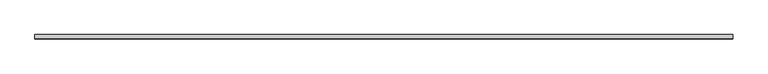
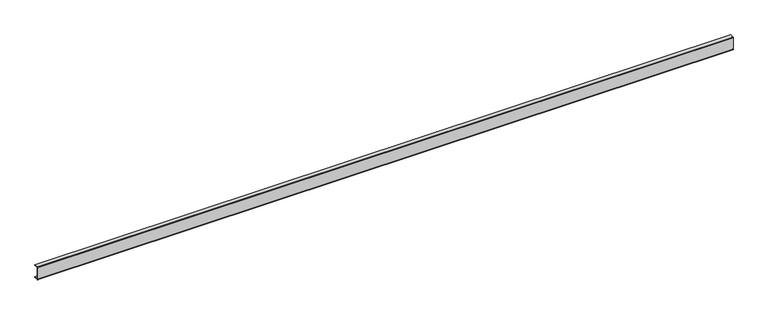
"""IFC4 building model written with IfcOpenShell, lengths in millimetres: proxy geometry."""

from ifc_helpers import new_model, si_unit, point, frame, frame_2d, origin, place, context, project, spatial, polyline, circle_curve, trimmed, segment, composite_curve, outline, extrude, source, transform, mapped, element, save


def mechanical_equipment_325cf402(model_context):
    return source(origin(), model_context, "Body", "SweptSolid", [
        extrude(outline(composite_curve([segment(polyline([(6.0, 36.8), (-4.8, 36.8), (-4.8, 1.2), (6.0, 1.2), (6.0, 0.0), (-4.8, 0.0)]), True, "CONTINUOUS"), segment(trimmed(circle_curve(frame_2d((-4.8, 1.2)), 1.2), [point((-4.8, 0.0))], [point((-6.0, 1.2))], False, "CARTESIAN"), True, "CONTINUOUS"), segment(polyline([(-6.0, 1.2), (-6.0, 36.8)]), True, "CONTINUOUS"), segment(trimmed(circle_curve(frame_2d((-4.8, 36.8)), 1.2), [point((-6.0, 36.8))], [point((-4.8, 38.0))], False, "CARTESIAN"), True, "CONTINUOUS"), segment(polyline([(-4.8, 38.0), (6.0, 38.0), (6.0, 36.8)]), True, "CONTINUOUS")], self_intersect=False)), frame((0.0, 0.0, 0.0), z_axis=(1.0, 0.0, 0.0), x_axis=(0.0, 1.0, 0.0)), (0.0, 0.0, 1.0), 2000.0),
    ])


if __name__ == "__main__":
    model = new_model("IFC4")
    model_context = context("Model", 3, world=origin())
    ifc_project = project(units=[si_unit("LENGTHUNIT", "METRE", prefix="MILLI")], contexts=[model_context])
    site = spatial("IfcSite", under=ifc_project)
    building = spatial("IfcBuilding", under=site)
    placement = place(None, origin())
    mechanical_equipment_shape = mechanical_equipment_325cf402(model_context)
    element("IfcBuildingElementProxy", 1, Name="Mechanical Equipment", at=placement, inside=building, context=model_context, shape_type="MappedRepresentation", body=[
        mapped(mechanical_equipment_shape, transform((0.0, 0.0, 0.0), x_axis=(1.0, 0.0, 0.0), y_axis=(0.0, 1.0, 0.0), z_axis=(0.0, 0.0, 1.0))),
    ])
    save(model, "model.ifc")
